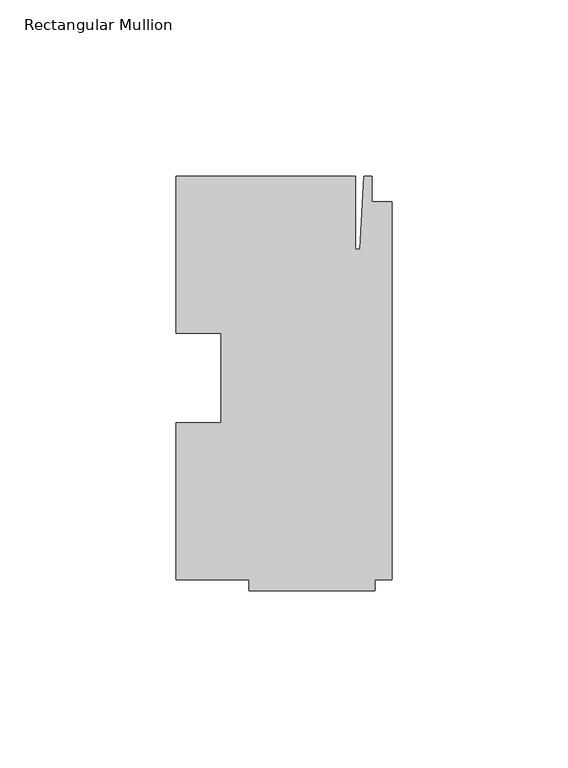
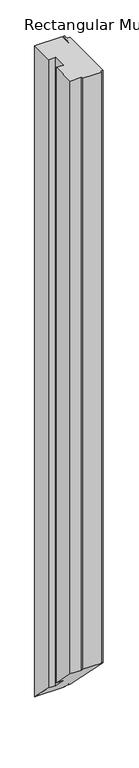
"""IFC4 building model written with IfcOpenShell, lengths in millimetres: member geometry, Rectangular Mullion."""

from ifc_helpers import new_model, si_unit, origin, place, context, project, spatial, faceted_brep, source, transform, mapped, element, save


def rectangular_mullion_08b19ce6(model_context):
    return source(origin(), model_context, "Body", "Brep", [
        faceted_brep([(-48.41875, -12.7, 0.0), (-61.11875, -12.7, 0.0), (-61.11875, -57.15, 0.0), (-40.48125, -57.15, 0.0), (-40.48125, -60.325, 0.0), (-4.7625, -60.325, 0.0), (-4.7625, -57.15, 0.0), (0.0, -57.15, 0.0), (0.0, 50.00625, 0.0), (-5.55625, 50.00625, 0.0), (-5.55625, 57.15, 0.0), (-7.9375, 57.15, 0.0), (-9.0190655, 36.5125, 0.0), (-10.31875, 36.5125, 0.0), (-10.31875, 57.15, 0.0), (-61.11875, 57.15, 0.0), (-61.11875, 12.7, 0.0), (-48.41875, 12.7, 0.0), (-48.41875, -12.7, -1206.5), (-61.11875, -12.7, -1206.5), (-61.11875, -57.15, -1162.05), (-40.48125, -57.15, -1162.05), (-40.48125, -60.325, -1158.875), (-4.7625, -60.325, -1158.875), (-4.7625, -57.15, -1162.05), (0.0, -57.15, -1162.05), (0.0, 50.00625, -1269.20625), (-5.55625, 50.00625, -1269.20625), (-5.55625, 57.15, -1276.35), (-7.9375, 57.15, -1276.35), (-9.0190655, 36.5125, -1255.7125), (-10.31875, 36.5125, -1255.7125), (-10.31875, 57.15, -1276.35), (-61.11875, 57.15, -1276.35), (-61.11875, 12.7, -1231.9), (-48.41875, 12.7, -1231.9)], [[[0, 1, 2, 3, 4, 5, 6, 7, 8, 9, 10, 11, 12, 13, 14, 15, 16, 17]], [[1, 0, 18, 19]], [[2, 1, 19, 20]], [[3, 2, 20, 21]], [[4, 3, 21, 22]], [[5, 4, 22, 23]], [[6, 5, 23, 24]], [[7, 6, 24, 25]], [[8, 7, 25, 26]], [[9, 8, 26, 27]], [[10, 9, 27, 28]], [[11, 10, 28, 29]], [[12, 11, 29, 30]], [[13, 12, 30, 31]], [[14, 13, 31, 32]], [[15, 14, 32, 33]], [[16, 15, 33, 34]], [[17, 16, 34, 35]], [[0, 17, 35, 18]], [[18, 35, 34, 33, 32, 31, 30, 29, 28, 27, 26, 25, 24, 23, 22, 21, 20, 19]]]),
    ])


if __name__ == "__main__":
    model = new_model("IFC4")
    model_context = context("Model", 3, world=origin())
    ifc_project = project(units=[si_unit("LENGTHUNIT", "METRE", prefix="MILLI")], contexts=[model_context])
    site = spatial("IfcSite", under=ifc_project)
    building = spatial("IfcBuilding", under=site)
    placement = place(None, origin())
    rectangular_mullion_shape = rectangular_mullion_08b19ce6(model_context)
    element("IfcMember", 1, ObjectType="Rectangular Mullion", at=placement, inside=building, context=model_context, shape_type="MappedRepresentation", body=[
        mapped(rectangular_mullion_shape, transform((0.0, 0.0, 0.0), x_axis=(1.0, 0.0, 0.0), y_axis=(0.0, 1.0, 0.0), z_axis=(0.0, 0.0, 1.0))),
    ])
    save(model, "model.ifc")
